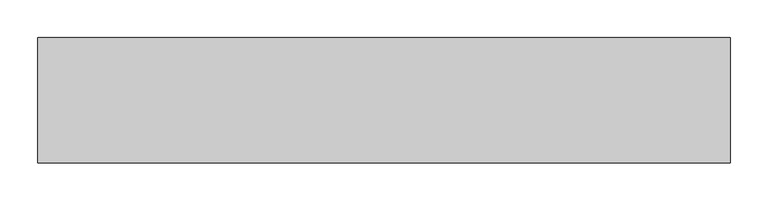
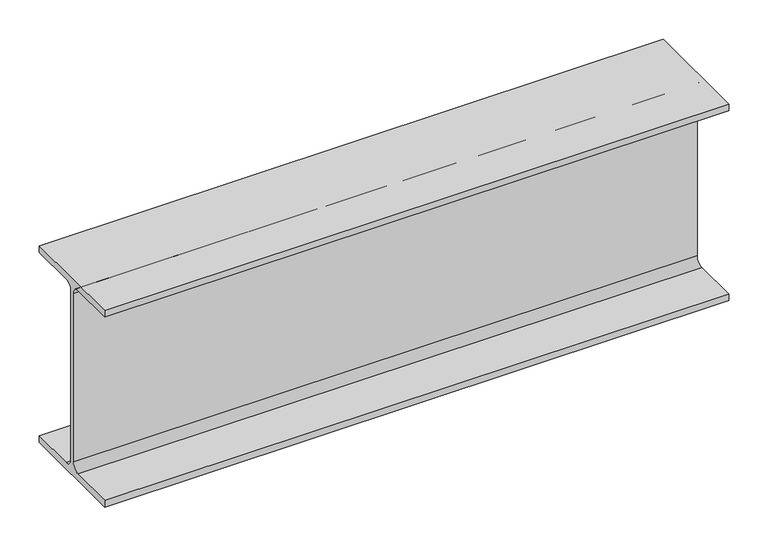
"""IFC4 building model written with IfcOpenShell, lengths in millimetres: beam geometry."""

from ifc_helpers import new_model, si_unit, point, frame, frame_2d, origin, place, context, project, spatial, polyline, circle_curve, trimmed, segment, composite_curve, outline, extrude, source, transform, mapped, element, save


def beam_433621db(model_context):
    return source(origin(), model_context, "Body", "SweptSolid", [
        extrude(outline(composite_curve([segment(polyline([(82.5, -141.8), (82.5, -152.0), (-82.5, -152.0), (-82.5, -141.8), (-14.45, -141.8)]), True, "CONTINUOUS"), segment(trimmed(circle_curve(frame_2d((-14.45, -130.4)), 11.4), [point((-14.45, -141.8))], [point((-3.05, -130.4))], True, "CARTESIAN"), True, "CONTINUOUS"), segment(polyline([(-3.05, -130.4), (-3.05, 130.4)]), True, "CONTINUOUS"), segment(trimmed(circle_curve(frame_2d((-14.45, 130.4)), 11.4), [point((-3.05, 130.4))], [point((-14.45, 141.8))], True, "CARTESIAN"), True, "CONTINUOUS"), segment(polyline([(-14.45, 141.8), (-82.5, 141.8), (-82.5, 152.0), (82.5, 152.0), (82.5, 141.8), (14.45, 141.8)]), True, "CONTINUOUS"), segment(trimmed(circle_curve(frame_2d((14.45, 130.4)), 11.4), [point((14.45, 141.8))], [point((3.05, 130.4))], True, "CARTESIAN"), True, "CONTINUOUS"), segment(polyline([(3.05, 130.4), (3.05, -130.4)]), True, "CONTINUOUS"), segment(trimmed(circle_curve(frame_2d((14.45, -130.4)), 11.4), [point((3.05, -130.4))], [point((14.45, -141.8))], True, "CARTESIAN"), True, "CONTINUOUS"), segment(polyline([(14.45, -141.8), (82.5, -141.8)]), True, "CONTINUOUS")], self_intersect=False)), frame((-446.5, 0.0, 0.0), z_axis=(1.0, 0.0, 0.0), x_axis=(0.0, 1.0, 0.0)), (0.0, 0.0, 1.0), 912.0),
    ])


if __name__ == "__main__":
    model = new_model("IFC4")
    model_context = context("Model", 3, world=origin())
    ifc_project = project(units=[si_unit("LENGTHUNIT", "METRE", prefix="MILLI")], contexts=[model_context])
    site = spatial("IfcSite", under=ifc_project)
    building = spatial("IfcBuilding", under=site)
    placement = place(None, origin())
    beam_shape = beam_433621db(model_context)
    element("IfcBeam", 1, at=placement, inside=building, context=model_context, shape_type="MappedRepresentation", body=[
        mapped(beam_shape, transform((0.0, 0.0, 0.0), x_axis=(1.0, 0.0, 0.0), y_axis=(0.0, 1.0, 0.0), z_axis=(0.0, 0.0, 1.0))),
    ])
    save(model, "model.ifc")
